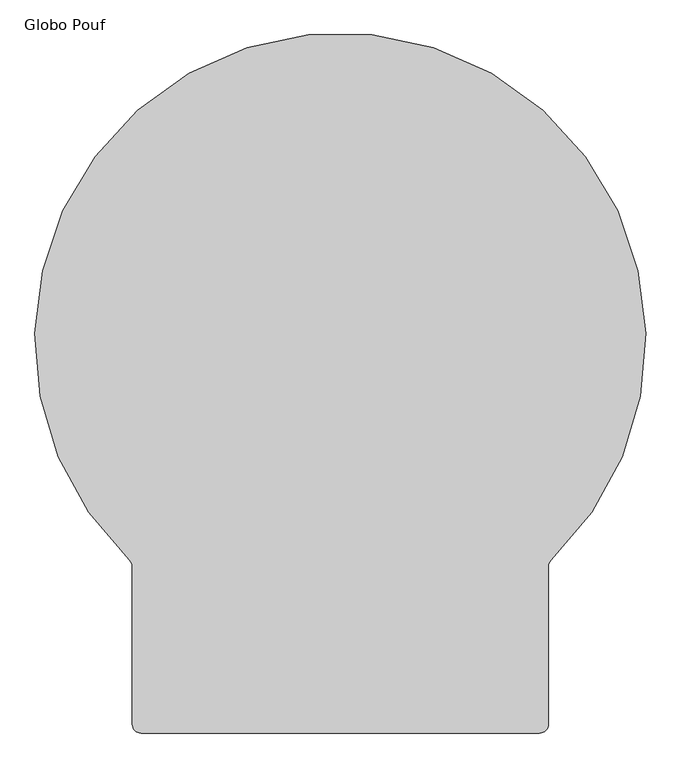
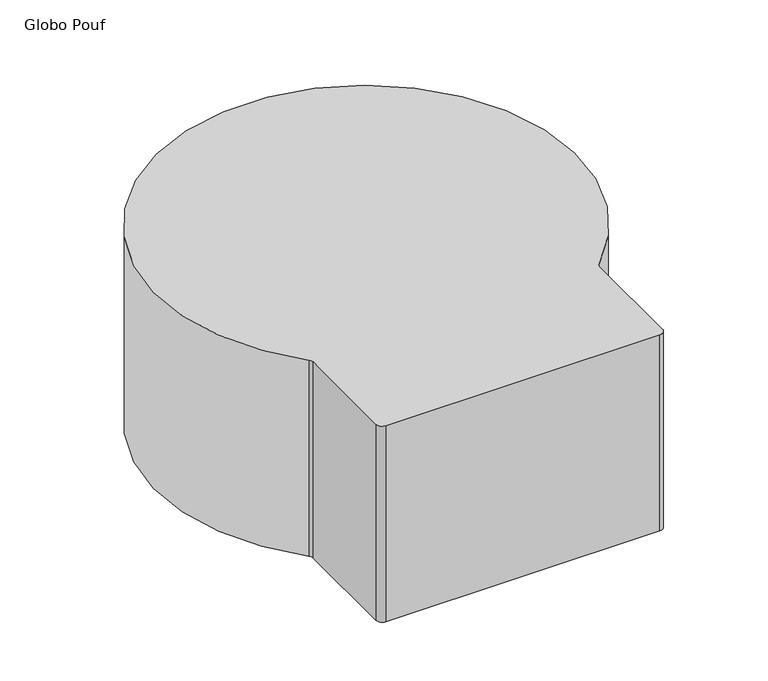
"""IFC4 building model written with IfcOpenShell, lengths in millimetres: furniture geometry, Globo Pouf."""

from ifc_helpers import new_model, si_unit, point, frame_2d, origin, origin_with_axes, place, context, project, spatial, polyline, circle_curve, trimmed, segment, composite_curve, outline, extrude, source, transform, mapped, element, save


def globo_pouf_56532a22(model_context):
    return source(origin(), model_context, "Body", "SweptSolid", [
        extrude(outline(composite_curve([segment(polyline([(539.1546875, -725.884375), (-32.3453125, -725.884375)]), True, "CONTINUOUS"), segment(trimmed(circle_curve(frame_2d((-32.3453125, -713.184375)), 12.7), [point((-32.3453125, -725.884375))], [point((-45.0453125, -713.184375))], False, "CARTESIAN"), True, "CONTINUOUS"), segment(polyline([(-45.0453125, -713.184375), (-45.0453125, -487.2547062)]), True, "CONTINUOUS"), segment(trimmed(circle_curve(frame_2d((-57.7453125, -487.2547062)), 12.7), [point((-45.0453125, -487.2547062))], [point((-48.9825755, -478.0620765))], True, "CARTESIAN"), True, "CONTINUOUS"), segment(trimmed(circle_curve(frame_2d((253.4046875, -160.8399403)), 438.2555653), [point((-48.9825755, -478.0620765))], [point((555.7919505, -478.0620765))], False, "CARTESIAN"), True, "CONTINUOUS"), segment(trimmed(circle_curve(frame_2d((564.5546875, -487.2547062)), 12.7), [point((555.7919505, -478.0620765))], [point((551.8546875, -487.2547062))], True, "CARTESIAN"), True, "CONTINUOUS"), segment(polyline([(551.8546875, -487.2547062), (551.8546875, -713.184375)]), True, "CONTINUOUS"), segment(trimmed(circle_curve(frame_2d((539.1546875, -713.184375)), 12.7), [point((551.8546875, -713.184375))], [point((539.1546875, -725.884375))], False, "CARTESIAN"), True, "CONTINUOUS")], self_intersect=False)), origin_with_axes(), (0.0, 0.0, 1.0), 431.8),
    ])


if __name__ == "__main__":
    model = new_model("IFC4")
    model_context = context("Model", 3, world=origin())
    ifc_project = project(units=[si_unit("LENGTHUNIT", "METRE", prefix="MILLI")], contexts=[model_context])
    site = spatial("IfcSite", under=ifc_project)
    building = spatial("IfcBuilding", under=site)
    placement = place(None, origin())
    globo_pouf_shape = globo_pouf_56532a22(model_context)
    element("IfcFurniture", 1, ObjectType="Globo Pouf", at=placement, inside=building, context=model_context, shape_type="MappedRepresentation", body=[
        mapped(globo_pouf_shape, transform((0.0, 0.0, 0.0), x_axis=(1.0, 0.0, 0.0), y_axis=(0.0, 1.0, 0.0), z_axis=(0.0, 0.0, 1.0))),
    ])
    save(model, "model.ifc")
